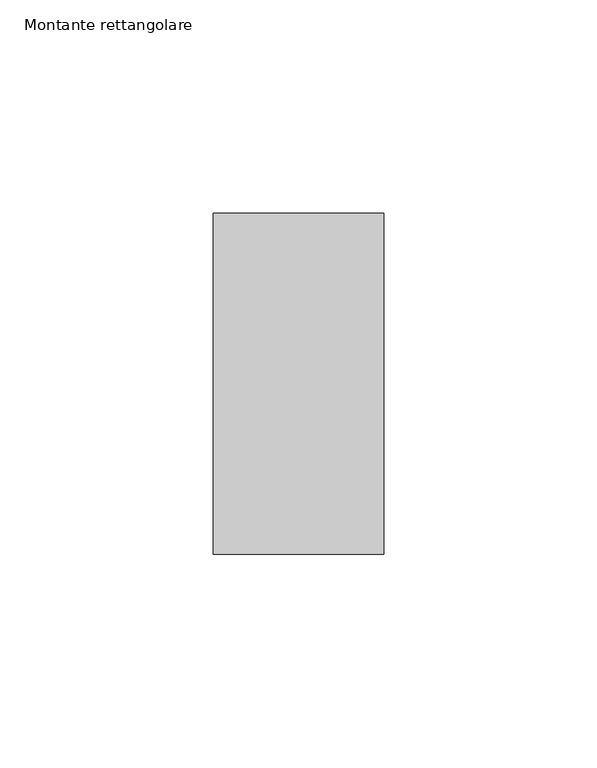
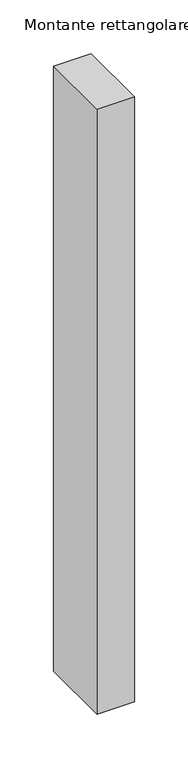
"""IFC4 building model written with IfcOpenShell, lengths in millimetres: member geometry, Montante rettangolare."""

from ifc_helpers import new_model, si_unit, frame, origin, place, context, project, spatial, polyline, outline, extrude, source, transform, mapped, element, save


def montante_rettangolare_9aaff39b(model_context):
    return source(origin(), model_context, "Body", "SweptSolid", [
        extrude(outline(polyline([(20.0, 60.0), (20.0, -20.0), (-20.0, -20.0), (-20.0, 60.0), (20.0, 60.0)])), frame((0.0, 0.0, -684.1739392), z_axis=(0.0, 0.0, 1.0), x_axis=(1.0, 0.0, 0.0)), (0.0, 0.0, 1.0), 684.1739392),
    ])


if __name__ == "__main__":
    model = new_model("IFC4")
    model_context = context("Model", 3, world=origin())
    ifc_project = project(units=[si_unit("LENGTHUNIT", "METRE", prefix="MILLI")], contexts=[model_context])
    site = spatial("IfcSite", under=ifc_project)
    building = spatial("IfcBuilding", under=site)
    placement = place(None, origin())
    montante_rettangolare_shape = montante_rettangolare_9aaff39b(model_context)
    element("IfcMember", 1, ObjectType="Montante rettangolare", at=placement, inside=building, context=model_context, shape_type="MappedRepresentation", body=[
        mapped(montante_rettangolare_shape, transform((0.0, 0.0, 0.0), x_axis=(1.0, 0.0, 0.0), y_axis=(0.0, 1.0, 0.0), z_axis=(0.0, 0.0, 1.0))),
    ])
    save(model, "model.ifc")
